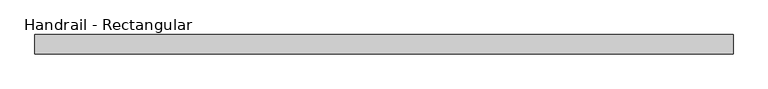
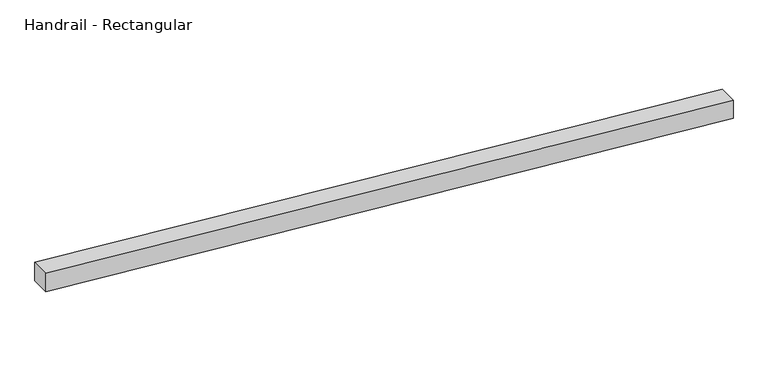
"""IFC4 building model written with IfcOpenShell, lengths in millimetres: railing geometry, Handrail - Rectangular."""

from ifc_helpers import new_model, si_unit, frame, origin, place, context, project, spatial, polyline, outline, extrude, source, transform, mapped, element, save


def handrail_rectangular_902f59e6(model_context):
    return source(origin(), model_context, "Body", "SweptSolid", [
        extrude(outline(polyline([(863.4239163, 51984.753484), (914.4, 51984.753484), (1066.8, 50155.953484), (1015.8239163, 50155.953484), (863.4239163, 51984.753484)])), frame((0.0, -14892.9551669, 0.0), z_axis=(0.0, 1.0, 0.0), x_axis=(0.0, 0.0, 1.0)), (0.0, 0.0, 1.0), 50.8),
    ])


if __name__ == "__main__":
    model = new_model("IFC4")
    model_context = context("Model", 3, world=origin())
    ifc_project = project(units=[si_unit("LENGTHUNIT", "METRE", prefix="MILLI")], contexts=[model_context])
    site = spatial("IfcSite", under=ifc_project)
    building = spatial("IfcBuilding", under=site)
    placement = place(None, origin())
    handrail_rectangular_shape = handrail_rectangular_902f59e6(model_context)
    element("IfcRailing", 1, ObjectType="Handrail - Rectangular", at=placement, inside=building, context=model_context, shape_type="MappedRepresentation", body=[
        mapped(handrail_rectangular_shape, transform((0.0, 0.0, 0.0), x_axis=(1.0, 0.0, 0.0), y_axis=(0.0, 1.0, 0.0), z_axis=(0.0, 0.0, 1.0))),
    ])
    save(model, "model.ifc")
